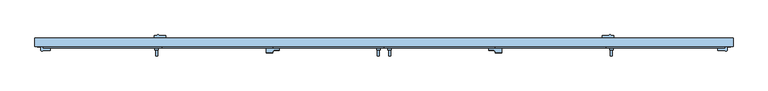
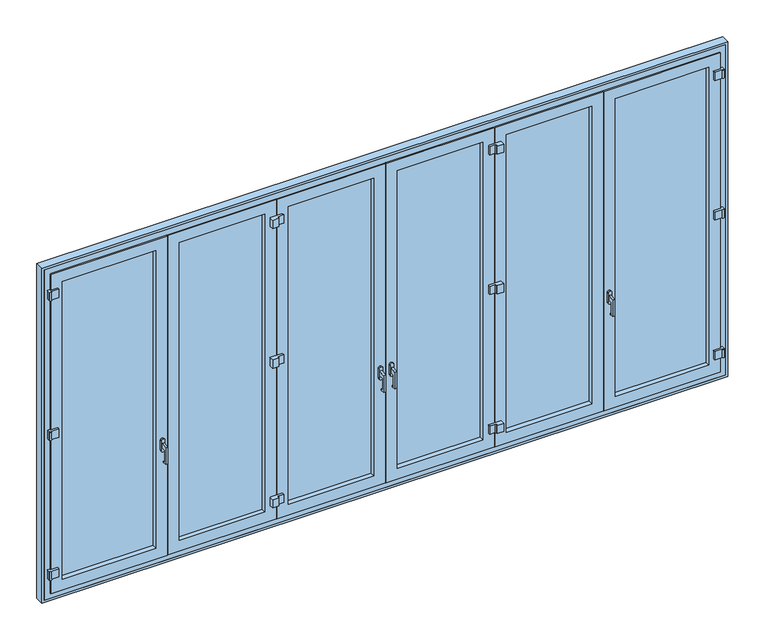
"""IFC4 building model written with IfcOpenShell, lengths in millimetres: window geometry."""

from ifc_helpers import new_model, si_unit, point, frame, frame_2d, origin, place, context, project, spatial, polyline, circle_curve, trimmed, segment, composite_curve, outline, extrude, faceted_brep, source, transform, mapped, element, save
from ifc_brep_helpers import plane_surface, cylinder_surface, advanced_brep


def window_111ed93b(model_context):
    return source(origin(), model_context, "Body", "SolidModel", [
        extrude(outline(polyline([(-29.0, 1000.0), (-29.0, 900.0), (-14.0, 900.0), (-14.0, 890.0), (-44.0, 890.0), (-44.0, 1031.183651), (6.0, 1040.0), (6.0, 1000.0), (-29.0, 1000.0)])), frame((36.0, 0.0, 0.0), z_axis=(1.0, 0.0, 0.0), x_axis=(0.0, 1.0, 0.0)), (0.0, 0.0, 1.0), 16.0),
        extrude(outline(polyline([(-29.0, 1000.0), (-29.0, 900.0), (-14.0, 900.0), (-14.0, 890.0), (-44.0, 890.0), (-44.0, 1031.183651), (6.0, 1040.0), (6.0, 1000.0), (-29.0, 1000.0)])), frame((1783.6666667, 0.0, 0.0), z_axis=(1.0, 0.0, 0.0), x_axis=(0.0, 1.0, 0.0)), (0.0, 0.0, 1.0), 16.0),
        extrude(outline(polyline([(-29.0, 1000.0), (-29.0, 900.0), (-14.0, 900.0), (-14.0, 890.0), (-44.0, 890.0), (-44.0, 1031.183651), (6.0, 1040.0), (6.0, 1000.0), (-29.0, 1000.0)])), frame((-1799.6666667, 0.0, 0.0), z_axis=(1.0, 0.0, 0.0), x_axis=(0.0, 1.0, 0.0)), (0.0, 0.0, 1.0), 16.0),
        advanced_brep(
        [(-1776.6666667, 6.0, 1060.0), (-1806.6666667, 6.0, 1060.0), (-1806.6666667, 6.0, 980.0), (-1776.6666667, 6.0, 980.0), (-1776.6666667, 20.0, 1060.0), (-1776.6666667, 20.0, 980.0), (-1806.6666667, 20.0, 980.0), (-1806.6666667, 20.0, 1060.0)],
        [
            (0, 1, circle_curve(frame((-1791.6666667, 6.0, 1060.0), z_axis=(0.0, -1.0, 0.0), x_axis=(-1.0, 0.0, 0.0)), 15.0)),
            (1, 2),
            (2, 3, circle_curve(frame((-1791.6666667, 6.0, 980.0), z_axis=(0.0, -1.0, 0.0), x_axis=(-1.0, 0.0, 0.0)), 15.0)),
            (3, 0),
            (4, 5),
            (5, 6, circle_curve(frame((-1791.6666667, 20.0, 980.0), z_axis=(0.0, 1.0, 0.0), x_axis=(-1.0, 0.0, 0.0)), 15.0)),
            (6, 7),
            (7, 4, circle_curve(frame((-1791.6666667, 20.0, 1060.0), z_axis=(0.0, 1.0, 0.0), x_axis=(-1.0, 0.0, 0.0)), 15.0)),
            (3, 5),
            (4, 0),
            (2, 6),
            (1, 7),
        ],
        [
            plane_surface(frame((-1776.6666667, 6.0, 1060.0), z_axis=(0.0, -1.0, 0.0), x_axis=(0.0, 0.0, 1.0))),
            plane_surface(frame((-1776.6666667, 20.0, 1060.0), z_axis=(0.0, 1.0, 0.0), x_axis=(0.0, 0.0, -1.0))),
            plane_surface(frame((-1776.6666667, 20.0, 1060.0), z_axis=(1.0, 0.0, 0.0), x_axis=(0.0, -1.0, 0.0))),
            cylinder_surface(frame((-1791.6666667, 6.0, 980.0), z_axis=(0.0, 1.0, 0.0), x_axis=(-1.0, 0.0, 0.0)), 15.0),
            plane_surface(frame((-1806.6666667, 20.0, 980.0), z_axis=(-1.0, 0.0, 0.0), x_axis=(0.0, -1.0, 0.0))),
            cylinder_surface(frame((-1791.6666667, 6.0, 1060.0), z_axis=(0.0, 1.0, 0.0), x_axis=(-1.0, 0.0, 0.0)), 15.0),
        ],
        [
            (0, [[1, 2, 3, 4]]),
            (1, [[5, 6, 7, 8]]),
            (2, [[-4, 9, -5, 10]]),
            (3, [[-3, 11, -6, -9]]),
            (4, [[-2, 12, -7, -11]]),
            (5, [[-1, -10, -8, -12]]),
        ],
    ),
        advanced_brep(
        [(1776.6666667, 6.0, 1060.0), (1776.6666667, 6.0, 980.0), (1806.6666667, 6.0, 980.0), (1806.6666667, 6.0, 1060.0), (1776.6666667, 20.0, 1060.0), (1806.6666667, 20.0, 1060.0), (1806.6666667, 20.0, 980.0), (1776.6666667, 20.0, 980.0)],
        [
            (0, 1),
            (1, 2, circle_curve(frame((1791.6666667, 6.0, 980.0), z_axis=(0.0, -1.0, 0.0), x_axis=(-1.0, 0.0, 0.0)), 15.0)),
            (2, 3),
            (3, 0, circle_curve(frame((1791.6666667, 6.0, 1060.0), z_axis=(0.0, -1.0, 0.0), x_axis=(-1.0, 0.0, 0.0)), 15.0)),
            (4, 5, circle_curve(frame((1791.6666667, 20.0, 1060.0), z_axis=(0.0, 1.0, 0.0), x_axis=(-1.0, 0.0, 0.0)), 15.0)),
            (5, 6),
            (6, 7, circle_curve(frame((1791.6666667, 20.0, 980.0), z_axis=(0.0, 1.0, 0.0), x_axis=(-1.0, 0.0, 0.0)), 15.0)),
            (7, 4),
            (3, 5),
            (4, 0),
            (2, 6),
            (1, 7),
        ],
        [
            plane_surface(frame((-1776.6666667, 6.0, 1060.0), z_axis=(0.0, -1.0, 0.0), x_axis=(0.0, 0.0, 1.0))),
            plane_surface(frame((-1776.6666667, 20.0, 1060.0), z_axis=(0.0, 1.0, 0.0), x_axis=(0.0, 0.0, -1.0))),
            cylinder_surface(frame((1791.6666667, 20.0, 1060.0), z_axis=(0.0, 1.0, 0.0), x_axis=(-1.0, 0.0, 0.0)), 15.0),
            plane_surface(frame((1806.6666667, 20.0, 1060.0), z_axis=(1.0, 0.0, 0.0), x_axis=(0.0, -1.0, 0.0))),
            cylinder_surface(frame((1791.6666667, 20.0, 980.0), z_axis=(0.0, 1.0, 0.0), x_axis=(-1.0, 0.0, 0.0)), 15.0),
            plane_surface(frame((1776.6666667, 20.0, 980.0), z_axis=(-1.0, 0.0, 0.0), x_axis=(0.0, -1.0, 0.0))),
        ],
        [
            (0, [[1, 2, 3, 4]]),
            (1, [[5, 6, 7, 8]]),
            (2, [[-4, 9, -5, 10]]),
            (3, [[-3, 11, -6, -9]]),
            (4, [[-2, 12, -7, -11]]),
            (5, [[-1, -10, -8, -12]]),
        ],
    ),
        advanced_brep(
        [(-29.0, 6.0, 1060.0), (-59.0, 6.0, 1060.0), (-59.0, 6.0, 980.0), (-29.0, 6.0, 980.0), (-36.0, 6.0, 1040.0), (-36.0, 6.0, 1000.0), (-52.0, 6.0, 1000.0), (-52.0, 6.0, 1040.0), (-29.0, 20.0, 1060.0), (-29.0, 20.0, 980.0), (-59.0, 20.0, 980.0), (-59.0, 20.0, 1060.0), (-36.0, -29.0, 1000.0), (-36.0, -44.0, 1031.183651), (-36.0, -44.0, 890.0), (-36.0, -14.0, 890.0), (-36.0, -14.0, 900.0), (-36.0, -29.0, 900.0), (-52.0, -29.0, 1000.0), (-52.0, -29.0, 900.0), (-52.0, -14.0, 900.0), (-52.0, -14.0, 890.0), (-52.0, -44.0, 890.0), (-52.0, -44.0, 1031.183651)],
        [
            (0, 1, circle_curve(frame((-44.0, 6.0, 1060.0), z_axis=(0.0, -1.0, 0.0), x_axis=(-1.0, 0.0, 0.0)), 15.0)),
            (1, 2),
            (2, 3, circle_curve(frame((-44.0, 6.0, 980.0), z_axis=(0.0, -1.0, 0.0), x_axis=(-1.0, 0.0, 0.0)), 15.0)),
            (3, 0),
            (4, 5),
            (5, 6),
            (6, 7),
            (7, 4),
            (8, 9),
            (9, 10, circle_curve(frame((-44.0, 20.0, 980.0), z_axis=(0.0, 1.0, 0.0), x_axis=(-1.0, 0.0, 0.0)), 15.0)),
            (10, 11),
            (11, 8, circle_curve(frame((-44.0, 20.0, 1060.0), z_axis=(0.0, 1.0, 0.0), x_axis=(-1.0, 0.0, 0.0)), 15.0)),
            (12, 5),
            (4, 13),
            (13, 14),
            (14, 15),
            (15, 16),
            (16, 17),
            (17, 12),
            (18, 19),
            (19, 20),
            (20, 21),
            (21, 22),
            (22, 23),
            (23, 7),
            (6, 18),
            (17, 19),
            (18, 12),
            (16, 20),
            (15, 21),
            (14, 22),
            (13, 23),
            (3, 9),
            (8, 0),
            (2, 10),
            (1, 11),
        ],
        [
            plane_surface(frame((-1776.6666667, 6.0, 1060.0), z_axis=(0.0, -1.0, 0.0), x_axis=(0.0, 0.0, 1.0))),
            plane_surface(frame((-1776.6666667, 20.0, 1060.0), z_axis=(0.0, 1.0, 0.0), x_axis=(0.0, 0.0, -1.0))),
            plane_surface(frame((-36.0, -29.0, 1000.0), z_axis=(1.0, 0.0, 0.0), x_axis=(0.0, 0.0, 1.0))),
            plane_surface(frame((-52.0, -29.0, 1000.0), z_axis=(-1.0, 0.0, 0.0), x_axis=(0.0, 0.0, -1.0))),
            plane_surface(frame((-52.0, -29.0, 1000.0), z_axis=(0.0, 1.0, 0.0), x_axis=(1.0, 0.0, 0.0))),
            plane_surface(frame((-52.0, -29.0, 900.0), z_axis=(0.0, 0.0, 1.0), x_axis=(1.0, 0.0, 0.0))),
            plane_surface(frame((-52.0, -14.0, 900.0), z_axis=(0.0, 1.0, 0.0), x_axis=(1.0, 0.0, 0.0))),
            plane_surface(frame((-52.0, -14.0, 890.0), z_axis=(0.0, 0.0, -1.0), x_axis=(1.0, 0.0, 0.0))),
            plane_surface(frame((-52.0, -44.0, 890.0), z_axis=(0.0, -1.0, 0.0), x_axis=(1.0, 0.0, 0.0))),
            plane_surface(frame((-52.0, -44.0, 1031.183651), z_axis=(0.0, -0.17364817766692772, 0.9848077530122086), x_axis=(1.0, 0.0, 0.0))),
            plane_surface(frame((-52.0, 6.0, 1000.0), z_axis=(0.0, 0.0, -1.0), x_axis=(1.0, 0.0, 0.0))),
            plane_surface(frame((-29.0, 20.0, 1060.0), z_axis=(1.0, 0.0, 0.0), x_axis=(0.0, -1.0, 0.0))),
            cylinder_surface(frame((-44.0, 20.0, 980.0), z_axis=(0.0, 1.0, 0.0), x_axis=(-1.0, 0.0, 0.0)), 15.0),
            plane_surface(frame((-59.0, 20.0, 980.0), z_axis=(-1.0, 0.0, 0.0), x_axis=(0.0, -1.0, 0.0))),
            cylinder_surface(frame((-44.0, 20.0, 1060.0), z_axis=(0.0, 1.0, 0.0), x_axis=(-1.0, 0.0, 0.0)), 15.0),
        ],
        [
            (0, [[1, 2, 3, 4], [5, 6, 7, 8]]),
            (1, [[9, 10, 11, 12]]),
            (2, [[13, -5, 14, 15, 16, 17, 18, 19]]),
            (3, [[20, 21, 22, 23, 24, 25, -7, 26]]),
            (4, [[-19, 27, -20, 28]]),
            (5, [[-18, 29, -21, -27]]),
            (6, [[-17, 30, -22, -29]]),
            (7, [[-16, 31, -23, -30]]),
            (8, [[-15, 32, -24, -31]]),
            (9, [[-14, -8, -25, -32]]),
            (10, [[-13, -28, -26, -6]]),
            (11, [[-4, 33, -9, 34]]),
            (12, [[-3, 35, -10, -33]]),
            (13, [[-2, 36, -11, -35]]),
            (14, [[-1, -34, -12, -36]]),
        ],
    ),
        advanced_brep(
        [(29.0, 6.0, 1060.0), (29.0, 6.0, 980.0), (59.0, 6.0, 980.0), (59.0, 6.0, 1060.0), (29.0, 20.0, 1060.0), (59.0, 20.0, 1060.0), (59.0, 20.0, 980.0), (29.0, 20.0, 980.0)],
        [
            (0, 1),
            (1, 2, circle_curve(frame((44.0, 6.0, 980.0), z_axis=(0.0, -1.0, 0.0), x_axis=(-1.0, 0.0, 0.0)), 15.0)),
            (2, 3),
            (3, 0, circle_curve(frame((44.0, 6.0, 1060.0), z_axis=(0.0, -1.0, 0.0), x_axis=(-1.0, 0.0, 0.0)), 15.0)),
            (4, 5, circle_curve(frame((44.0, 20.0, 1060.0), z_axis=(0.0, 1.0, 0.0), x_axis=(-1.0, 0.0, 0.0)), 15.0)),
            (5, 6),
            (6, 7, circle_curve(frame((44.0, 20.0, 980.0), z_axis=(0.0, 1.0, 0.0), x_axis=(-1.0, 0.0, 0.0)), 15.0)),
            (7, 4),
            (3, 5),
            (4, 0),
            (2, 6),
            (1, 7),
        ],
        [
            plane_surface(frame((-1776.6666667, 6.0, 1060.0), z_axis=(0.0, -1.0, 0.0), x_axis=(0.0, 0.0, 1.0))),
            plane_surface(frame((-1776.6666667, 20.0, 1060.0), z_axis=(0.0, 1.0, 0.0), x_axis=(0.0, 0.0, -1.0))),
            cylinder_surface(frame((44.0, 20.0, 1060.0), z_axis=(0.0, 1.0, 0.0), x_axis=(-1.0, 0.0, 0.0)), 15.0),
            plane_surface(frame((59.0, 20.0, 1060.0), z_axis=(1.0, 0.0, 0.0), x_axis=(0.0, -1.0, 0.0))),
            cylinder_surface(frame((44.0, 20.0, 980.0), z_axis=(0.0, 1.0, 0.0), x_axis=(-1.0, 0.0, 0.0)), 15.0),
            plane_surface(frame((29.0, 20.0, 980.0), z_axis=(-1.0, 0.0, 0.0), x_axis=(0.0, -1.0, 0.0))),
        ],
        [
            (0, [[1, 2, 3, 4]]),
            (1, [[5, 6, 7, 8]]),
            (2, [[-4, 9, -5, 10]]),
            (3, [[-3, 11, -6, -9]]),
            (4, [[-2, 12, -7, -11]]),
            (5, [[-1, -10, -8, -12]]),
        ],
    ),
        extrude(outline(composite_curve([segment(trimmed(circle_curve(frame_2d((-1780.6666667, 117.5)), 7.5), [point((-1788.1666667, 117.5))], [point((-1773.1666667, 117.5))], False, "CARTESIAN"), True, "CONTINUOUS"), segment(polyline([(-1773.1666667, 117.5), (-1720.6666667, 117.5), (-1720.6666667, 100.0), (-1810.6666667, 100.0), (-1810.6666667, 117.5), (-1788.1666667, 117.5)]), True, "CONTINUOUS")], self_intersect=False)), frame((0.0, 0.0, 2570.0), z_axis=(0.0, 0.0, 1.0), x_axis=(1.0, 0.0, 0.0)), (0.0, 0.0, 1.0), 70.0),
        extrude(outline(composite_curve([segment(trimmed(circle_curve(frame_2d((-2696.0, 2.5)), 7.5), [point((-2688.5119907, 2.0760699))], [point((-2703.4880093, 2.0760699))], False, "CARTESIAN"), True, "CONTINUOUS"), segment(polyline([(-2703.4880093, 2.0760699), (-2705.5119907, 2.0760699), (-2705.5119907, 30.0), (-2688.5119907, 30.0), (-2688.5119907, 20.0), (-2628.5119907, 20.0), (-2628.5119907, 2.0760699), (-2688.5119907, 2.0760699)]), True, "CONTINUOUS")], self_intersect=False)), frame((0.0, 0.0, 2570.0), z_axis=(0.0, 0.0, 1.0), x_axis=(1.0, 0.0, 0.0)), (0.0, 0.0, 1.0), 70.0),
        extrude(outline(composite_curve([segment(trimmed(circle_curve(frame_2d((2696.0, 2.5)), 7.5), [point((2703.4880093, 2.0760699))], [point((2688.5119907, 2.0760699))], False, "CARTESIAN"), True, "CONTINUOUS"), segment(polyline([(2688.5119907, 2.0760699), (2628.5119907, 2.0760699), (2628.5119907, 20.0), (2688.5119907, 20.0), (2688.5119907, 30.0), (2705.5119907, 30.0), (2705.5119907, 2.0760699), (2703.4880093, 2.0760699)]), True, "CONTINUOUS")], self_intersect=False)), frame((0.0, 0.0, 2570.0), z_axis=(0.0, 0.0, 1.0), x_axis=(1.0, 0.0, 0.0)), (0.0, 0.0, 1.0), 70.0),
        extrude(outline(composite_curve([segment(trimmed(circle_curve(frame_2d((-875.8333333, 2.5)), 7.5), [point((-868.3333333, 2.5))], [point((-875.8333333, -5.0))], False, "CARTESIAN"), True, "CONTINUOUS"), segment(polyline([(-875.8333333, -5.0), (-875.8333333, -17.5), (-925.8333333, -17.5), (-925.8333333, 20.0), (-825.8333333, 20.0), (-825.8333333, 2.5), (-868.3333333, 2.5)]), True, "CONTINUOUS")], self_intersect=False)), frame((0.0, 0.0, 2570.0), z_axis=(0.0, 0.0, 1.0), x_axis=(1.0, 0.0, 0.0)), (0.0, 0.0, 1.0), 70.0),
        extrude(outline(composite_curve([segment(trimmed(circle_curve(frame_2d((875.8333333, 2.5)), 7.5), [point((875.8333333, -5.0))], [point((868.3333333, 2.5))], False, "CARTESIAN"), True, "CONTINUOUS"), segment(polyline([(868.3333333, 2.5), (825.8333333, 2.5), (825.8333333, 20.0), (925.8333333, 20.0), (925.8333333, -17.5), (875.8333333, -17.5), (875.8333333, -5.0)]), True, "CONTINUOUS")], self_intersect=False)), frame((0.0, 0.0, 2570.0), z_axis=(0.0, 0.0, 1.0), x_axis=(1.0, 0.0, 0.0)), (0.0, 0.0, 1.0), 70.0),
        extrude(outline(composite_curve([segment(trimmed(circle_curve(frame_2d((1780.6666667, 117.5)), 7.5), [point((1773.1666667, 117.5))], [point((1788.1666667, 117.5))], False, "CARTESIAN"), True, "CONTINUOUS"), segment(polyline([(1788.1666667, 117.5), (1810.6666667, 117.5), (1810.6666667, 100.0), (1720.6666667, 100.0), (1720.6666667, 117.5), (1773.1666667, 117.5)]), True, "CONTINUOUS")], self_intersect=False)), frame((0.0, 0.0, 2570.0), z_axis=(0.0, 0.0, 1.0), x_axis=(1.0, 0.0, 0.0)), (0.0, 0.0, 1.0), 70.0),
        extrude(outline(composite_curve([segment(trimmed(circle_curve(frame_2d((-1780.6666667, 117.5)), 7.5), [point((-1788.1666667, 117.5))], [point((-1773.1666667, 117.5))], False, "CARTESIAN"), True, "CONTINUOUS"), segment(polyline([(-1773.1666667, 117.5), (-1720.6666667, 117.5), (-1720.6666667, 100.0), (-1810.6666667, 100.0), (-1810.6666667, 117.5), (-1788.1666667, 117.5)]), True, "CONTINUOUS")], self_intersect=False)), frame((0.0, 0.0, 200.0), z_axis=(0.0, 0.0, 1.0), x_axis=(1.0, 0.0, 0.0)), (0.0, 0.0, 1.0), 70.0),
        extrude(outline(composite_curve([segment(polyline([(-2688.5119907, 20.0), (-2628.5119907, 20.0), (-2628.5119907, 2.0760699), (-2688.5119907, 2.0760699)]), True, "CONTINUOUS"), segment(trimmed(circle_curve(frame_2d((-2696.0, 2.5)), 7.5), [point((-2688.5119907, 2.0760699))], [point((-2703.4880093, 2.0760699))], False, "CARTESIAN"), True, "CONTINUOUS"), segment(polyline([(-2703.4880093, 2.0760699), (-2705.5119907, 2.0760699), (-2705.5119907, 30.0), (-2688.5119907, 30.0), (-2688.5119907, 20.0)]), True, "CONTINUOUS")], self_intersect=False)), frame((0.0, 0.0, 200.0), z_axis=(0.0, 0.0, 1.0), x_axis=(1.0, 0.0, 0.0)), (0.0, 0.0, 1.0), 70.0),
        extrude(outline(composite_curve([segment(polyline([(2688.5119907, 20.0), (2688.5119907, 30.0), (2705.5119907, 30.0), (2705.5119907, 2.0760699), (2703.4880093, 2.0760699)]), True, "CONTINUOUS"), segment(trimmed(circle_curve(frame_2d((2696.0, 2.5)), 7.5), [point((2703.4880093, 2.0760699))], [point((2688.5119907, 2.0760699))], False, "CARTESIAN"), True, "CONTINUOUS"), segment(polyline([(2688.5119907, 2.0760699), (2628.5119907, 2.0760699), (2628.5119907, 20.0), (2688.5119907, 20.0)]), True, "CONTINUOUS")], self_intersect=False)), frame((0.0, 0.0, 200.0), z_axis=(0.0, 0.0, 1.0), x_axis=(1.0, 0.0, 0.0)), (0.0, 0.0, 1.0), 70.0),
        extrude(outline(composite_curve([segment(polyline([(-825.8333333, 20.0), (-825.8333333, 2.5), (-868.3333333, 2.5)]), True, "CONTINUOUS"), segment(trimmed(circle_curve(frame_2d((-875.8333333, 2.5)), 7.5), [point((-868.3333333, 2.5))], [point((-875.8333333, -5.0))], False, "CARTESIAN"), True, "CONTINUOUS"), segment(polyline([(-875.8333333, -5.0), (-875.8333333, -17.5), (-925.8333333, -17.5), (-925.8333333, 20.0), (-825.8333333, 20.0)]), True, "CONTINUOUS")], self_intersect=False)), frame((0.0, 0.0, 200.0), z_axis=(0.0, 0.0, 1.0), x_axis=(1.0, 0.0, 0.0)), (0.0, 0.0, 1.0), 70.0),
        extrude(outline(composite_curve([segment(polyline([(825.8333333, 20.0), (925.8333333, 20.0), (925.8333333, -17.5), (875.8333333, -17.5), (875.8333333, -5.0)]), True, "CONTINUOUS"), segment(trimmed(circle_curve(frame_2d((875.8333333, 2.5)), 7.5), [point((875.8333333, -5.0))], [point((868.3333333, 2.5))], False, "CARTESIAN"), True, "CONTINUOUS"), segment(polyline([(868.3333333, 2.5), (825.8333333, 2.5), (825.8333333, 20.0)]), True, "CONTINUOUS")], self_intersect=False)), frame((0.0, 0.0, 200.0), z_axis=(0.0, 0.0, 1.0), x_axis=(1.0, 0.0, 0.0)), (0.0, 0.0, 1.0), 70.0),
        extrude(outline(composite_curve([segment(trimmed(circle_curve(frame_2d((1780.6666667, 117.5)), 7.5), [point((1773.1666667, 117.5))], [point((1788.1666667, 117.5))], False, "CARTESIAN"), True, "CONTINUOUS"), segment(polyline([(1788.1666667, 117.5), (1810.6666667, 117.5), (1810.6666667, 100.0), (1720.6666667, 100.0), (1720.6666667, 117.5), (1773.1666667, 117.5)]), True, "CONTINUOUS")], self_intersect=False)), frame((0.0, 0.0, 200.0), z_axis=(0.0, 0.0, 1.0), x_axis=(1.0, 0.0, 0.0)), (0.0, 0.0, 1.0), 70.0),
        extrude(outline(composite_curve([segment(trimmed(circle_curve(frame_2d((-2696.0, 2.5)), 7.5), [point((-2688.5119907, 2.0760699))], [point((-2703.4880093, 2.0760699))], False, "CARTESIAN"), True, "CONTINUOUS"), segment(polyline([(-2703.4880093, 2.0760699), (-2705.5119907, 2.0760699), (-2705.5119907, 30.0), (-2688.5119907, 30.0), (-2688.5119907, 20.0), (-2628.5119907, 20.0), (-2628.5119907, 2.0760699), (-2688.5119907, 2.0760699)]), True, "CONTINUOUS")], self_intersect=False)), frame((0.0, 0.0, 1385.0), z_axis=(0.0, 0.0, 1.0), x_axis=(1.0, 0.0, 0.0)), (0.0, 0.0, 1.0), 70.0),
        extrude(outline(composite_curve([segment(trimmed(circle_curve(frame_2d((-1780.6666667, 117.5)), 7.5), [point((-1788.1666667, 117.5))], [point((-1773.1666667, 117.5))], False, "CARTESIAN"), True, "CONTINUOUS"), segment(polyline([(-1773.1666667, 117.5), (-1720.6666667, 117.5), (-1720.6666667, 100.0), (-1810.6666667, 100.0), (-1810.6666667, 117.5), (-1788.1666667, 117.5)]), True, "CONTINUOUS")], self_intersect=False)), frame((0.0, 0.0, 1385.0), z_axis=(0.0, 0.0, 1.0), x_axis=(1.0, 0.0, 0.0)), (0.0, 0.0, 1.0), 70.0),
        extrude(outline(composite_curve([segment(trimmed(circle_curve(frame_2d((-875.8333333, 2.5)), 7.5), [point((-868.3333333, 2.5))], [point((-875.8333333, -5.0))], False, "CARTESIAN"), True, "CONTINUOUS"), segment(polyline([(-875.8333333, -5.0), (-875.8333333, -17.5), (-925.8333333, -17.5), (-925.8333333, 20.0), (-825.8333333, 20.0), (-825.8333333, 2.5), (-868.3333333, 2.5)]), True, "CONTINUOUS")], self_intersect=False)), frame((0.0, 0.0, 1385.0), z_axis=(0.0, 0.0, 1.0), x_axis=(1.0, 0.0, 0.0)), (0.0, 0.0, 1.0), 70.0),
        extrude(outline(composite_curve([segment(trimmed(circle_curve(frame_2d((2696.0, 2.5)), 7.5), [point((2703.4880093, 2.0760699))], [point((2688.5119907, 2.0760699))], False, "CARTESIAN"), True, "CONTINUOUS"), segment(polyline([(2688.5119907, 2.0760699), (2628.5119907, 2.0760699), (2628.5119907, 20.0), (2688.5119907, 20.0), (2688.5119907, 30.0), (2705.5119907, 30.0), (2705.5119907, 2.0760699), (2703.4880093, 2.0760699)]), True, "CONTINUOUS")], self_intersect=False)), frame((0.0, 0.0, 1385.0), z_axis=(0.0, 0.0, 1.0), x_axis=(1.0, 0.0, 0.0)), (0.0, 0.0, 1.0), 70.0),
        extrude(outline(composite_curve([segment(trimmed(circle_curve(frame_2d((1780.6666667, 117.5)), 7.5), [point((1773.1666667, 117.5))], [point((1788.1666667, 117.5))], False, "CARTESIAN"), True, "CONTINUOUS"), segment(polyline([(1788.1666667, 117.5), (1810.6666667, 117.5), (1810.6666667, 100.0), (1720.6666667, 100.0), (1720.6666667, 117.5), (1773.1666667, 117.5)]), True, "CONTINUOUS")], self_intersect=False)), frame((0.0, 0.0, 1385.0), z_axis=(0.0, 0.0, 1.0), x_axis=(1.0, 0.0, 0.0)), (0.0, 0.0, 1.0), 70.0),
        extrude(outline(composite_curve([segment(trimmed(circle_curve(frame_2d((875.8333333, 2.5)), 7.5), [point((875.8333333, -5.0))], [point((868.3333333, 2.5))], False, "CARTESIAN"), True, "CONTINUOUS"), segment(polyline([(868.3333333, 2.5), (825.8333333, 2.5), (825.8333333, 20.0), (925.8333333, 20.0), (925.8333333, -17.5), (875.8333333, -17.5), (875.8333333, -5.0)]), True, "CONTINUOUS")], self_intersect=False)), frame((0.0, 0.0, 1385.0), z_axis=(0.0, 0.0, 1.0), x_axis=(1.0, 0.0, 0.0)), (0.0, 0.0, 1.0), 70.0),
        faceted_brep([(-780.8333333, 60.0, 2683.0), (-780.8333333, 20.0, 2683.0), (-780.8333333, 20.0, 157.0), (-780.8333333, 60.0, 157.0), (-798.8333333, 91.0, 2701.0), (-798.8333333, 60.0, 2701.0), (-798.8333333, 60.0, 139.0), (-798.8333333, 91.0, 139.0), (-780.8333333, 100.0, 2683.0), (-780.8333333, 91.0, 2683.0), (-780.8333333, 91.0, 157.0), (-780.8333333, 100.0, 157.0), (-834.8333333, 95.0, 2737.0), (-834.8333333, 100.0, 2737.0), (-834.8333333, 100.0, 103.0), (-834.8333333, 95.0, 103.0), (-855.8333333, 30.0, 2758.0), (-855.8333333, 95.0, 2758.0), (-855.8333333, 95.0, 82.0), (-855.8333333, 30.0, 82.0), (-871.8333333, 20.0, 2774.0), (-871.8333333, 30.0, 2774.0), (-871.8333333, 30.0, 66.0), (-871.8333333, 20.0, 66.0), (-93.0, 20.0, 157.0), (-93.0, 60.0, 157.0), (-75.0, 60.0, 139.0), (-75.0, 91.0, 139.0), (-93.0, 91.0, 157.0), (-93.0, 100.0, 157.0), (-39.0, 100.0, 103.0), (-39.0, 95.0, 103.0), (-18.0, 95.0, 82.0), (-18.0, 30.0, 82.0), (-2.0, 30.0, 66.0), (-2.0, 20.0, 66.0), (-93.0, 20.0, 2683.0), (-93.0, 60.0, 2683.0), (-75.0, 60.0, 2701.0), (-75.0, 91.0, 2701.0), (-93.0, 91.0, 2683.0), (-93.0, 100.0, 2683.0), (-39.0, 100.0, 2737.0), (-39.0, 95.0, 2737.0), (-18.0, 95.0, 103.0), (-18.0, 30.0, 103.0), (-18.0, 95.0, 2758.0), (-18.0, 30.0, 2758.0), (-18.0, 30.0, 2737.0), (-18.0, 95.0, 2737.0), (-2.0, 30.0, 103.0), (-2.0, 30.0, 2737.0), (-2.0, 30.0, 2774.0), (-2.0, 20.0, 2774.0), (-33.0, 95.0, 2737.0), (-33.0, 95.0, 103.0), (18.0, 30.0, 2737.0), (18.0, 95.0, 2737.0), (33.0, 95.0, 2737.0), (33.0, 100.0, 2737.0), (-33.0, 100.0, 2737.0), (-33.0, 100.0, 103.0), (33.0, 100.0, 103.0), (33.0, 95.0, 103.0), (18.0, 95.0, 103.0), (18.0, 30.0, 103.0)], [[[0, 1, 2, 3]], [[4, 5, 6, 7]], [[8, 9, 10, 11]], [[12, 13, 14, 15]], [[16, 17, 18, 19]], [[20, 21, 22, 23]], [[3, 2, 24, 25]], [[7, 6, 26, 27]], [[11, 10, 28, 29]], [[15, 14, 30, 31]], [[19, 18, 32, 33]], [[23, 22, 34, 35]], [[25, 24, 36, 37]], [[27, 26, 38, 39]], [[29, 28, 40, 41]], [[31, 30, 42, 43]], [[33, 32, 44, 45]], [[46, 47, 48, 49]], [[35, 34, 50, 51, 52, 53]], [[1, 0, 37, 36]], [[6, 5, 38, 26], [0, 3, 25, 37]], [[5, 4, 39, 38]], [[4, 7, 27, 39], [10, 9, 40, 28]], [[9, 8, 41, 40]], [[14, 13, 42, 30], [8, 11, 29, 41]], [[13, 12, 43, 42]], [[18, 17, 46, 49, 54, 55, 44, 32], [12, 15, 31, 43]], [[17, 16, 47, 46]], [[16, 19, 33, 45, 50, 34, 22, 21, 52, 51, 48, 47]], [[21, 20, 53, 52]], [[20, 23, 35, 53], [2, 1, 36, 24]], [[56, 57, 58, 59, 60, 54, 49, 48, 51]], [[55, 61, 62, 63, 64, 65, 50, 45, 44]], [[57, 56, 65, 64]], [[58, 57, 64, 63]], [[59, 58, 63, 62]], [[60, 59, 62, 61]], [[54, 60, 61, 55]], [[65, 56, 51, 50]]]),
        faceted_brep([(966.8333333, 60.0, 2683.0), (966.8333333, 20.0, 2683.0), (966.8333333, 20.0, 157.0), (966.8333333, 60.0, 157.0), (948.8333333, 91.0, 2701.0), (948.8333333, 60.0, 2701.0), (948.8333333, 60.0, 139.0), (948.8333333, 91.0, 139.0), (966.8333333, 100.0, 2683.0), (966.8333333, 91.0, 2683.0), (966.8333333, 91.0, 157.0), (966.8333333, 100.0, 157.0), (912.8333333, 95.0, 2737.0), (912.8333333, 100.0, 2737.0), (912.8333333, 100.0, 103.0), (912.8333333, 95.0, 103.0), (891.8333333, 95.0, 82.0), (891.8333333, 30.0, 82.0), (891.8333333, 30.0, 103.0), (891.8333333, 95.0, 103.0), (891.8333333, 30.0, 2758.0), (891.8333333, 95.0, 2758.0), (891.8333333, 95.0, 2737.0), (891.8333333, 30.0, 2737.0), (875.8333333, 20.0, 2774.0), (875.8333333, 30.0, 2774.0), (875.8333333, 30.0, 2737.0), (875.8333333, 30.0, 103.0), (875.8333333, 30.0, 66.0), (875.8333333, 20.0, 66.0), (1654.6666667, 20.0, 157.0), (1654.6666667, 60.0, 157.0), (1672.6666667, 60.0, 139.0), (1672.6666667, 91.0, 139.0), (1654.6666667, 91.0, 157.0), (1654.6666667, 100.0, 157.0), (1708.6666667, 100.0, 103.0), (1708.6666667, 95.0, 103.0), (1729.6666667, 95.0, 82.0), (1729.6666667, 30.0, 82.0), (1745.6666667, 30.0, 66.0), (1745.6666667, 20.0, 66.0), (1654.6666667, 20.0, 2683.0), (1654.6666667, 60.0, 2683.0), (1672.6666667, 60.0, 2701.0), (1672.6666667, 91.0, 2701.0), (1654.6666667, 91.0, 2683.0), (1654.6666667, 100.0, 2683.0), (1708.6666667, 100.0, 2737.0), (1708.6666667, 95.0, 2737.0), (1729.6666667, 95.0, 103.0), (1729.6666667, 30.0, 103.0), (1729.6666667, 95.0, 2758.0), (1729.6666667, 30.0, 2758.0), (1729.6666667, 30.0, 2737.0), (1729.6666667, 95.0, 2737.0), (1745.6666667, 30.0, 103.0), (1745.6666667, 30.0, 2737.0), (1745.6666667, 30.0, 2774.0), (1745.6666667, 20.0, 2774.0), (906.8333333, 95.0, 103.0), (906.8333333, 95.0, 2737.0), (1714.6666667, 95.0, 2737.0), (1714.6666667, 95.0, 103.0), (1765.6666667, 30.0, 2737.0), (1765.6666667, 95.0, 2737.0), (1780.6666667, 95.0, 2737.0), (1780.6666667, 100.0, 2737.0), (1714.6666667, 100.0, 2737.0), (1714.6666667, 100.0, 103.0), (1780.6666667, 100.0, 103.0), (1780.6666667, 95.0, 103.0), (1765.6666667, 95.0, 103.0), (1765.6666667, 30.0, 103.0), (906.8333333, 100.0, 2737.0), (840.8333333, 100.0, 2737.0), (840.8333333, 95.0, 2737.0), (855.8333333, 95.0, 2737.0), (855.8333333, 30.0, 2737.0), (855.8333333, 30.0, 103.0), (855.8333333, 95.0, 103.0), (840.8333333, 95.0, 103.0), (840.8333333, 100.0, 103.0), (906.8333333, 100.0, 103.0)], [[[0, 1, 2, 3]], [[4, 5, 6, 7]], [[8, 9, 10, 11]], [[12, 13, 14, 15]], [[16, 17, 18, 19]], [[20, 21, 22, 23]], [[24, 25, 26, 27, 28, 29]], [[3, 2, 30, 31]], [[7, 6, 32, 33]], [[11, 10, 34, 35]], [[15, 14, 36, 37]], [[17, 16, 38, 39]], [[29, 28, 40, 41]], [[31, 30, 42, 43]], [[33, 32, 44, 45]], [[35, 34, 46, 47]], [[37, 36, 48, 49]], [[39, 38, 50, 51]], [[52, 53, 54, 55]], [[41, 40, 56, 57, 58, 59]], [[1, 0, 43, 42]], [[6, 5, 44, 32], [0, 3, 31, 43]], [[5, 4, 45, 44]], [[4, 7, 33, 45], [10, 9, 46, 34]], [[9, 8, 47, 46]], [[14, 13, 48, 36], [8, 11, 35, 47]], [[13, 12, 49, 48]], [[38, 16, 19, 60, 61, 22, 21, 52, 55, 62, 63, 50], [12, 15, 37, 49]], [[21, 20, 53, 52]], [[17, 39, 51, 56, 40, 28, 27, 18]], [[53, 20, 23, 26, 25, 58, 57, 54]], [[25, 24, 59, 58]], [[24, 29, 41, 59], [2, 1, 42, 30]], [[64, 65, 66, 67, 68, 62, 55, 54, 57]], [[63, 69, 70, 71, 72, 73, 56, 51, 50]], [[62, 68, 69, 63]], [[68, 67, 70, 69]], [[67, 66, 71, 70]], [[66, 65, 72, 71]], [[65, 64, 73, 72]], [[73, 64, 57, 56]], [[61, 74, 75, 76, 77, 78, 26, 23, 22]], [[79, 80, 81, 82, 83, 60, 19, 18, 27]], [[78, 77, 80, 79]], [[77, 76, 81, 80]], [[76, 75, 82, 81]], [[75, 74, 83, 82]], [[74, 61, 60, 83]], [[78, 79, 27, 26]]]),
        faceted_brep([(-1654.6666667, 60.0, 2683.0), (-1654.6666667, 20.0, 2683.0), (-1654.6666667, 20.0, 157.0), (-1654.6666667, 60.0, 157.0), (-1672.6666667, 91.0, 2701.0), (-1672.6666667, 60.0, 2701.0), (-1672.6666667, 60.0, 139.0), (-1672.6666667, 91.0, 139.0), (-1654.6666667, 100.0, 2683.0), (-1654.6666667, 91.0, 2683.0), (-1654.6666667, 91.0, 157.0), (-1654.6666667, 100.0, 157.0), (-1708.6666667, 95.0, 2737.0), (-1708.6666667, 100.0, 2737.0), (-1708.6666667, 100.0, 103.0), (-1708.6666667, 95.0, 103.0), (-1729.6666667, 95.0, 82.0), (-1729.6666667, 30.0, 82.0), (-1729.6666667, 30.0, 103.0), (-1729.6666667, 95.0, 103.0), (-1729.6666667, 30.0, 2758.0), (-1729.6666667, 95.0, 2758.0), (-1729.6666667, 95.0, 2737.0), (-1729.6666667, 30.0, 2737.0), (-1745.6666667, 20.0, 2774.0), (-1745.6666667, 30.0, 2774.0), (-1745.6666667, 30.0, 2737.0), (-1745.6666667, 30.0, 103.0), (-1745.6666667, 30.0, 66.0), (-1745.6666667, 20.0, 66.0), (-966.8333333, 20.0, 157.0), (-966.8333333, 60.0, 157.0), (-948.8333333, 60.0, 139.0), (-948.8333333, 91.0, 139.0), (-966.8333333, 91.0, 157.0), (-966.8333333, 100.0, 157.0), (-912.8333333, 100.0, 103.0), (-912.8333333, 95.0, 103.0), (-891.8333333, 95.0, 82.0), (-891.8333333, 30.0, 82.0), (-875.8333333, 30.0, 66.0), (-875.8333333, 20.0, 66.0), (-966.8333333, 20.0, 2683.0), (-966.8333333, 60.0, 2683.0), (-948.8333333, 60.0, 2701.0), (-948.8333333, 91.0, 2701.0), (-966.8333333, 91.0, 2683.0), (-966.8333333, 100.0, 2683.0), (-912.8333333, 100.0, 2737.0), (-912.8333333, 95.0, 2737.0), (-891.8333333, 95.0, 103.0), (-891.8333333, 30.0, 103.0), (-891.8333333, 95.0, 2758.0), (-891.8333333, 30.0, 2758.0), (-891.8333333, 30.0, 2737.0), (-891.8333333, 95.0, 2737.0), (-875.8333333, 30.0, 103.0), (-875.8333333, 30.0, 2737.0), (-875.8333333, 30.0, 2774.0), (-875.8333333, 20.0, 2774.0), (-1714.6666667, 95.0, 103.0), (-1714.6666667, 95.0, 2737.0), (-906.8333333, 95.0, 2737.0), (-906.8333333, 95.0, 103.0), (-1714.6666667, 100.0, 2737.0), (-1780.6666667, 100.0, 2737.0), (-1780.6666667, 95.0, 2737.0), (-1765.6666667, 95.0, 2737.0), (-1765.6666667, 30.0, 2737.0), (-1765.6666667, 30.0, 103.0), (-1765.6666667, 95.0, 103.0), (-1780.6666667, 95.0, 103.0), (-1780.6666667, 100.0, 103.0), (-1714.6666667, 100.0, 103.0), (-855.8333333, 30.0, 2737.0), (-855.8333333, 95.0, 2737.0), (-840.8333333, 95.0, 2737.0), (-840.8333333, 100.0, 2737.0), (-906.8333333, 100.0, 2737.0), (-906.8333333, 100.0, 103.0), (-840.8333333, 100.0, 103.0), (-840.8333333, 95.0, 103.0), (-855.8333333, 95.0, 103.0), (-855.8333333, 30.0, 103.0)], [[[0, 1, 2, 3]], [[4, 5, 6, 7]], [[8, 9, 10, 11]], [[12, 13, 14, 15]], [[16, 17, 18, 19]], [[20, 21, 22, 23]], [[24, 25, 26, 27, 28, 29]], [[3, 2, 30, 31]], [[7, 6, 32, 33]], [[11, 10, 34, 35]], [[15, 14, 36, 37]], [[17, 16, 38, 39]], [[29, 28, 40, 41]], [[31, 30, 42, 43]], [[33, 32, 44, 45]], [[35, 34, 46, 47]], [[37, 36, 48, 49]], [[39, 38, 50, 51]], [[52, 53, 54, 55]], [[41, 40, 56, 57, 58, 59]], [[1, 0, 43, 42]], [[6, 5, 44, 32], [0, 3, 31, 43]], [[5, 4, 45, 44]], [[4, 7, 33, 45], [10, 9, 46, 34]], [[9, 8, 47, 46]], [[14, 13, 48, 36], [8, 11, 35, 47]], [[13, 12, 49, 48]], [[38, 16, 19, 60, 61, 22, 21, 52, 55, 62, 63, 50], [12, 15, 37, 49]], [[21, 20, 53, 52]], [[17, 39, 51, 56, 40, 28, 27, 18]], [[53, 20, 23, 26, 25, 58, 57, 54]], [[25, 24, 59, 58]], [[24, 29, 41, 59], [2, 1, 42, 30]], [[61, 64, 65, 66, 67, 68, 26, 23, 22]], [[69, 70, 71, 72, 73, 60, 19, 18, 27]], [[64, 61, 60, 73]], [[65, 64, 73, 72]], [[66, 65, 72, 71]], [[67, 66, 71, 70]], [[68, 67, 70, 69]], [[68, 69, 27, 26]], [[74, 75, 76, 77, 78, 62, 55, 54, 57]], [[63, 79, 80, 81, 82, 83, 56, 51, 50]], [[75, 74, 83, 82]], [[76, 75, 82, 81]], [[77, 76, 81, 80]], [[78, 77, 80, 79]], [[62, 78, 79, 63]], [[83, 74, 57, 56]]]),
        faceted_brep([(93.0, 60.0, 2683.0), (93.0, 20.0, 2683.0), (93.0, 20.0, 157.0), (93.0, 60.0, 157.0), (75.0, 91.0, 2701.0), (75.0, 60.0, 2701.0), (75.0, 60.0, 139.0), (75.0, 91.0, 139.0), (93.0, 100.0, 2683.0), (93.0, 91.0, 2683.0), (93.0, 91.0, 157.0), (93.0, 100.0, 157.0), (39.0, 95.0, 2737.0), (39.0, 100.0, 2737.0), (39.0, 100.0, 103.0), (39.0, 95.0, 103.0), (18.0, 30.0, 2758.0), (18.0, 95.0, 2758.0), (18.0, 95.0, 82.0), (18.0, 30.0, 82.0), (2.0, 20.0, 2774.0), (2.0, 30.0, 2774.0), (2.0, 30.0, 66.0), (2.0, 20.0, 66.0), (780.8333333, 20.0, 157.0), (780.8333333, 60.0, 157.0), (798.8333333, 60.0, 139.0), (798.8333333, 91.0, 139.0), (780.8333333, 91.0, 157.0), (780.8333333, 100.0, 157.0), (834.8333333, 100.0, 103.0), (834.8333333, 95.0, 103.0), (855.8333333, 95.0, 82.0), (855.8333333, 30.0, 82.0), (871.8333333, 30.0, 66.0), (871.8333333, 20.0, 66.0), (780.8333333, 20.0, 2683.0), (780.8333333, 60.0, 2683.0), (798.8333333, 60.0, 2701.0), (798.8333333, 91.0, 2701.0), (780.8333333, 91.0, 2683.0), (780.8333333, 100.0, 2683.0), (834.8333333, 100.0, 2737.0), (834.8333333, 95.0, 2737.0), (855.8333333, 95.0, 2758.0), (855.8333333, 30.0, 2758.0), (871.8333333, 30.0, 2774.0), (871.8333333, 20.0, 2774.0)], [[[0, 1, 2, 3]], [[4, 5, 6, 7]], [[8, 9, 10, 11]], [[12, 13, 14, 15]], [[16, 17, 18, 19]], [[20, 21, 22, 23]], [[3, 2, 24, 25]], [[7, 6, 26, 27]], [[11, 10, 28, 29]], [[15, 14, 30, 31]], [[19, 18, 32, 33]], [[23, 22, 34, 35]], [[25, 24, 36, 37]], [[27, 26, 38, 39]], [[29, 28, 40, 41]], [[31, 30, 42, 43]], [[33, 32, 44, 45]], [[35, 34, 46, 47]], [[37, 36, 1, 0]], [[5, 38, 26, 6], [3, 25, 37, 0]], [[39, 38, 5, 4]], [[7, 27, 39, 4], [9, 40, 28, 10]], [[41, 40, 9, 8]], [[13, 42, 30, 14], [11, 29, 41, 8]], [[43, 42, 13, 12]], [[17, 44, 32, 18], [15, 31, 43, 12]], [[45, 44, 17, 16]], [[21, 46, 34, 22], [19, 33, 45, 16]], [[47, 46, 21, 20]], [[23, 35, 47, 20], [1, 36, 24, 2]]]),
        extrude(outline(polyline([(-1822.6666667, 60.0), (-2611.0, 60.0), (-2611.0, 91.0), (-1822.6666667, 91.0), (-1822.6666667, 60.0)])), frame((0.0, 0.0, 139.0), z_axis=(0.0, 0.0, 1.0), x_axis=(1.0, 0.0, 0.0)), (0.0, 0.0, 1.0), 2562.0),
        extrude(outline(polyline([(2611.0, 60.0), (1822.6666667, 60.0), (1822.6666667, 91.0), (2611.0, 91.0), (2611.0, 60.0)])), frame((0.0, 0.0, 139.0), z_axis=(0.0, 0.0, 1.0), x_axis=(1.0, 0.0, 0.0)), (0.0, 0.0, 1.0), 2562.0),
        extrude(outline(polyline([(798.8333333, 60.0), (75.0, 60.0), (75.0, 91.0), (798.8333333, 91.0), (798.8333333, 60.0)])), frame((0.0, 0.0, 139.0), z_axis=(0.0, 0.0, 1.0), x_axis=(1.0, 0.0, 0.0)), (0.0, 0.0, 1.0), 2562.0),
        extrude(outline(polyline([(-948.8333333, 60.0), (-1672.6666667, 60.0), (-1672.6666667, 91.0), (-948.8333333, 91.0), (-948.8333333, 60.0)])), frame((0.0, 0.0, 139.0), z_axis=(0.0, 0.0, 1.0), x_axis=(1.0, 0.0, 0.0)), (0.0, 0.0, 1.0), 2562.0),
        extrude(outline(polyline([(-75.0, 60.0), (-798.8333333, 60.0), (-798.8333333, 91.0), (-75.0, 91.0), (-75.0, 60.0)])), frame((0.0, 0.0, 139.0), z_axis=(0.0, 0.0, 1.0), x_axis=(1.0, 0.0, 0.0)), (0.0, 0.0, 1.0), 2562.0),
        extrude(outline(polyline([(1672.6666667, 60.0), (948.8333333, 60.0), (948.8333333, 91.0), (1672.6666667, 91.0), (1672.6666667, 60.0)])), frame((0.0, 0.0, 139.0), z_axis=(0.0, 0.0, 1.0), x_axis=(1.0, 0.0, 0.0)), (0.0, 0.0, 1.0), 2562.0),
        faceted_brep([(1840.6666667, 60.0, 2683.0), (1840.6666667, 20.0, 2683.0), (1840.6666667, 20.0, 157.0), (1840.6666667, 60.0, 157.0), (1822.6666667, 91.0, 2701.0), (1822.6666667, 60.0, 2701.0), (1822.6666667, 60.0, 139.0), (1822.6666667, 91.0, 139.0), (1840.6666667, 100.0, 2683.0), (1840.6666667, 91.0, 2683.0), (1840.6666667, 91.0, 157.0), (1840.6666667, 100.0, 157.0), (1786.6666667, 95.0, 2737.0), (1786.6666667, 100.0, 2737.0), (1786.6666667, 100.0, 103.0), (1786.6666667, 95.0, 103.0), (1765.6666667, 30.0, 2758.0), (1765.6666667, 95.0, 2758.0), (1765.6666667, 95.0, 82.0), (1765.6666667, 30.0, 82.0), (1749.6666667, 20.0, 2774.0), (1749.6666667, 30.0, 2774.0), (1749.6666667, 30.0, 66.0), (1749.6666667, 20.0, 66.0), (2593.0, 20.0, 157.0), (2593.0, 60.0, 157.0), (2611.0, 60.0, 139.0), (2611.0, 91.0, 139.0), (2593.0, 91.0, 157.0), (2593.0, 100.0, 157.0), (2647.0, 100.0, 103.0), (2647.0, 95.0, 103.0), (2668.0, 95.0, 82.0), (2668.0, 30.0, 82.0), (2684.0, 30.0, 66.0), (2684.0, 20.0, 66.0), (2593.0, 20.0, 2683.0), (2593.0, 60.0, 2683.0), (2611.0, 60.0, 2701.0), (2611.0, 91.0, 2701.0), (2593.0, 91.0, 2683.0), (2593.0, 100.0, 2683.0), (2647.0, 100.0, 2737.0), (2647.0, 95.0, 2737.0), (2668.0, 95.0, 2758.0), (2668.0, 30.0, 2758.0), (2684.0, 30.0, 2774.0), (2684.0, 20.0, 2774.0)], [[[0, 1, 2, 3]], [[4, 5, 6, 7]], [[8, 9, 10, 11]], [[12, 13, 14, 15]], [[16, 17, 18, 19]], [[20, 21, 22, 23]], [[3, 2, 24, 25]], [[7, 6, 26, 27]], [[11, 10, 28, 29]], [[15, 14, 30, 31]], [[19, 18, 32, 33]], [[23, 22, 34, 35]], [[25, 24, 36, 37]], [[27, 26, 38, 39]], [[29, 28, 40, 41]], [[31, 30, 42, 43]], [[33, 32, 44, 45]], [[35, 34, 46, 47]], [[37, 36, 1, 0]], [[5, 38, 26, 6], [3, 25, 37, 0]], [[39, 38, 5, 4]], [[7, 27, 39, 4], [9, 40, 28, 10]], [[41, 40, 9, 8]], [[13, 42, 30, 14], [11, 29, 41, 8]], [[43, 42, 13, 12]], [[17, 44, 32, 18], [15, 31, 43, 12]], [[45, 44, 17, 16]], [[21, 46, 34, 22], [19, 33, 45, 16]], [[47, 46, 21, 20]], [[23, 35, 47, 20], [1, 36, 24, 2]]]),
        faceted_brep([(-2593.0, 60.0, 2683.0), (-2593.0, 20.0, 2683.0), (-2593.0, 20.0, 157.0), (-2593.0, 60.0, 157.0), (-2611.0, 91.0, 2701.0), (-2611.0, 60.0, 2701.0), (-2611.0, 60.0, 139.0), (-2611.0, 91.0, 139.0), (-2593.0, 100.0, 2683.0), (-2593.0, 91.0, 2683.0), (-2593.0, 91.0, 157.0), (-2593.0, 100.0, 157.0), (-2647.0, 95.0, 2737.0), (-2647.0, 100.0, 2737.0), (-2647.0, 100.0, 103.0), (-2647.0, 95.0, 103.0), (-2668.0, 30.0, 2758.0), (-2668.0, 95.0, 2758.0), (-2668.0, 95.0, 82.0), (-2668.0, 30.0, 82.0), (-2684.0, 20.0, 2774.0), (-2684.0, 30.0, 2774.0), (-2684.0, 30.0, 66.0), (-2684.0, 20.0, 66.0), (-1840.6666667, 20.0, 157.0), (-1840.6666667, 60.0, 157.0), (-1822.6666667, 60.0, 139.0), (-1822.6666667, 91.0, 139.0), (-1840.6666667, 91.0, 157.0), (-1840.6666667, 100.0, 157.0), (-1786.6666667, 100.0, 103.0), (-1786.6666667, 95.0, 103.0), (-1765.6666667, 95.0, 82.0), (-1765.6666667, 30.0, 82.0), (-1749.6666667, 30.0, 66.0), (-1749.6666667, 20.0, 66.0), (-1840.6666667, 20.0, 2683.0), (-1840.6666667, 60.0, 2683.0), (-1822.6666667, 60.0, 2701.0), (-1822.6666667, 91.0, 2701.0), (-1840.6666667, 91.0, 2683.0), (-1840.6666667, 100.0, 2683.0), (-1786.6666667, 100.0, 2737.0), (-1786.6666667, 95.0, 2737.0), (-1765.6666667, 95.0, 2758.0), (-1765.6666667, 30.0, 2758.0), (-1749.6666667, 30.0, 2774.0), (-1749.6666667, 20.0, 2774.0)], [[[0, 1, 2, 3]], [[4, 5, 6, 7]], [[8, 9, 10, 11]], [[12, 13, 14, 15]], [[16, 17, 18, 19]], [[20, 21, 22, 23]], [[3, 2, 24, 25]], [[7, 6, 26, 27]], [[11, 10, 28, 29]], [[15, 14, 30, 31]], [[19, 18, 32, 33]], [[23, 22, 34, 35]], [[25, 24, 36, 37]], [[27, 26, 38, 39]], [[29, 28, 40, 41]], [[31, 30, 42, 43]], [[33, 32, 44, 45]], [[35, 34, 46, 47]], [[37, 36, 1, 0]], [[5, 38, 26, 6], [3, 25, 37, 0]], [[39, 38, 5, 4]], [[7, 27, 39, 4], [9, 40, 28, 10]], [[41, 40, 9, 8]], [[13, 42, 30, 14], [11, 29, 41, 8]], [[43, 42, 13, 12]], [[17, 44, 32, 18], [15, 31, 43, 12]], [[45, 44, 17, 16]], [[21, 46, 34, 22], [19, 33, 45, 16]], [[47, 46, 21, 20]], [[23, 35, 47, 20], [1, 36, 24, 2]]]),
        faceted_brep([(2653.0, 95.0, 2743.0), (2653.0, 100.0, 2743.0), (2653.0, 100.0, 97.0), (2653.0, 95.0, 97.0), (2668.0, 30.0, 2758.0), (2668.0, 95.0, 2758.0), (2668.0, 95.0, 82.0), (2668.0, 30.0, 82.0), (2730.0, 100.0, 2820.0), (2730.0, 30.0, 2820.0), (2730.0, 30.0, 20.0), (2730.0, 100.0, 20.0), (-2653.0, 100.0, 97.0), (-2653.0, 95.0, 97.0), (-2668.0, 95.0, 82.0), (-2668.0, 30.0, 82.0), (-2730.0, 30.0, 20.0), (-2730.0, 100.0, 20.0), (-2653.0, 100.0, 2743.0), (-2653.0, 95.0, 2743.0), (-2668.0, 95.0, 2758.0), (-2668.0, 30.0, 2758.0), (-2730.0, 30.0, 2820.0), (-2730.0, 100.0, 2820.0)], [[[0, 1, 2, 3]], [[4, 5, 6, 7]], [[8, 9, 10, 11]], [[3, 2, 12, 13]], [[7, 6, 14, 15]], [[11, 10, 16, 17]], [[13, 12, 18, 19]], [[15, 14, 20, 21]], [[17, 16, 22, 23]], [[19, 18, 1, 0]], [[5, 20, 14, 6], [3, 13, 19, 0]], [[21, 20, 5, 4]], [[9, 22, 16, 10], [7, 15, 21, 4]], [[23, 22, 9, 8]], [[11, 17, 23, 8], [1, 18, 12, 2]]]),
        extrude(outline(polyline([(2840.0, 2750.0), (2840.0, -2750.0), (0.0, -2750.0), (0.0, 2750.0), (2840.0, 2750.0)]), holes=[polyline([(20.0, -2730.0), (2820.0, -2730.0), (2820.0, 2730.0), (20.0, 2730.0), (20.0, -2730.0)])]), frame((0.0, 30.0, 0.0), z_axis=(0.0, 1.0, 0.0), x_axis=(0.0, 0.0, 1.0)), (0.0, 0.0, 1.0), 70.0),
    ])


if __name__ == "__main__":
    model = new_model("IFC4")
    model_context = context("Model", 3, world=origin())
    ifc_project = project(units=[si_unit("LENGTHUNIT", "METRE", prefix="MILLI")], contexts=[model_context])
    site = spatial("IfcSite", under=ifc_project)
    building = spatial("IfcBuilding", under=site)
    placement = place(None, origin())
    window_shape = window_111ed93b(model_context)
    element("IfcWindow", 1, at=placement, inside=building, context=model_context, shape_type="MappedRepresentation", body=[
        mapped(window_shape, transform((0.0, 0.0, 0.0), x_axis=(1.0, 0.0, 0.0), y_axis=(0.0, 1.0, 0.0), z_axis=(0.0, 0.0, 1.0))),
    ])
    save(model, "model.ifc")
